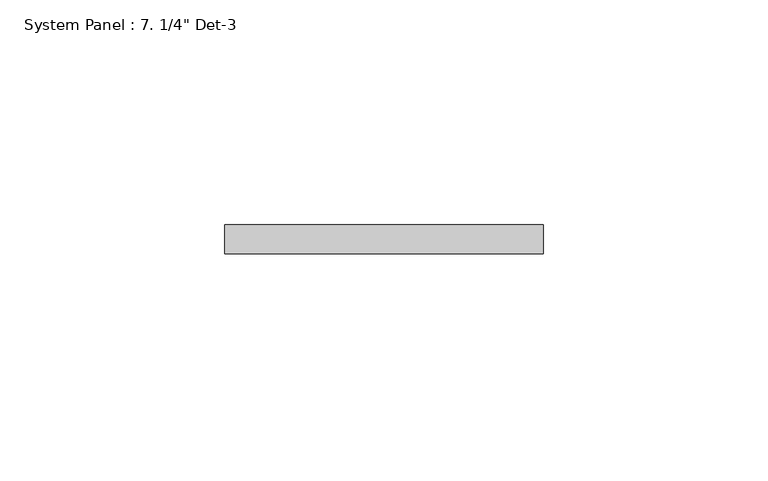
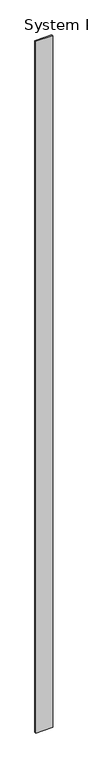
"""IFC4 building model written with IfcOpenShell, lengths in millimetres: plate geometry."""

from ifc_helpers import new_model, si_unit, origin, origin_with_axes, place, context, project, spatial, polyline, outline, extrude, source, transform, mapped, element, save


def plate_aa8ddffd(model_context):
    return source(origin(), model_context, "Body", "SweptSolid", [
        extrude(outline(polyline([(35.3558148, 0.0), (-35.3558148, 0.0), (-35.3558148, 6.35), (35.3558148, 6.35), (35.3558148, 0.0)])), origin_with_axes(), (0.0, 0.0, 1.0), 3048.0),
    ])


if __name__ == "__main__":
    model = new_model("IFC4")
    model_context = context("Model", 3, world=origin())
    ifc_project = project(units=[si_unit("LENGTHUNIT", "METRE", prefix="MILLI")], contexts=[model_context])
    site = spatial("IfcSite", under=ifc_project)
    building = spatial("IfcBuilding", under=site)
    placement = place(None, origin())
    plate_shape = plate_aa8ddffd(model_context)
    element("IfcPlate", 1, ObjectType="System Panel : 7. 1/4\" Det-3", at=placement, inside=building, context=model_context, shape_type="MappedRepresentation", body=[
        mapped(plate_shape, transform((0.0, 0.0, 0.0), x_axis=(1.0, 0.0, 0.0), y_axis=(0.0, 1.0, 0.0), z_axis=(0.0, 0.0, 1.0))),
    ])
    save(model, "model.ifc")
